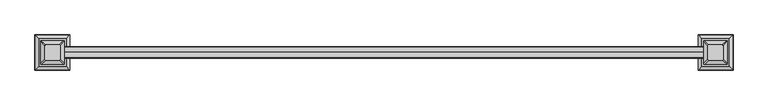
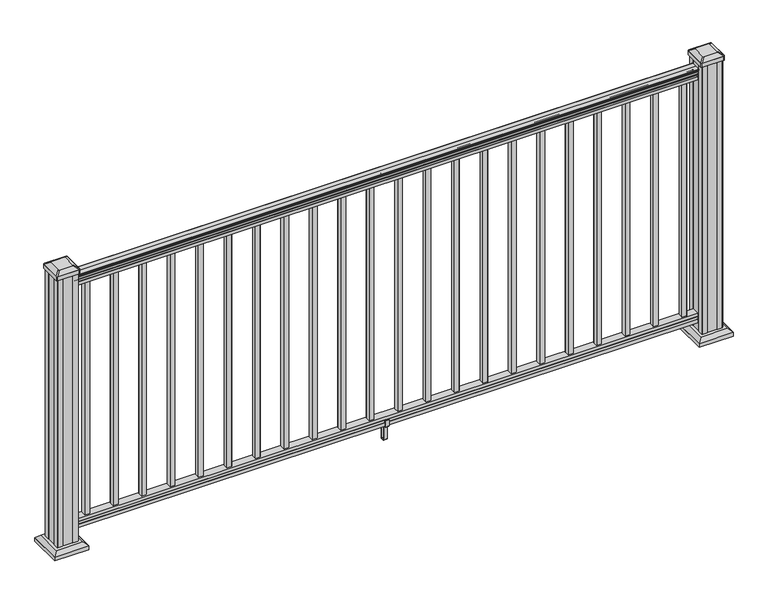
"""IFC4 building model written with IfcOpenShell, lengths in millimetres: railing geometry."""

from ifc_helpers import new_model, si_unit, point, frame, frame_2d, origin, origin_with_axes, place, context, project, spatial, polyline, circle_curve, trimmed, segment, composite_curve, outline, extrude, faceted_brep, source, transform, mapped, element, save
from ifc_brep_helpers import plane_surface, extruded_surface, advanced_brep


def railing_91d370ef(model_context):
    return source(origin(), model_context, "Body", "SolidModel", [
        extrude(outline(composite_curve([segment(trimmed(circle_curve(frame_2d((2738.0690602, 1090.8043297)), 1.2869144), [point((2739.3559745, 1090.8043297))], [point((2736.7821458, 1090.8043297))], False, "CARTESIAN"), True, "CONTINUOUS"), segment(polyline([(2736.7821458, 1090.8043297), (2736.7821458, 1080.147013), (2737.7981458, 1079.131013), (2737.7981458, 1066.8), (2706.0481458, 1066.8), (2706.0481458, 1079.2888283), (2707.0641458, 1080.3048283), (2707.0641458, 1090.8043297)]), True, "CONTINUOUS"), segment(trimmed(circle_curve(frame_2d((2705.7772314, 1090.8043297)), 1.2869144), [point((2707.0641458, 1090.8043297))], [point((2704.4903171, 1090.8043297))], False, "CARTESIAN"), True, "CONTINUOUS"), segment(polyline([(2704.4903171, 1090.8043297), (2704.4903171, 1092.692412)]), True, "CONTINUOUS"), segment(trimmed(circle_curve(frame_2d((2710.8050703, 1098.4506383)), 8.545951), [point((2704.4903171, 1092.692412))], [point((2703.3601308, 1094.2546695))], False, "CARTESIAN"), True, "CONTINUOUS"), segment(trimmed(circle_curve(frame_2d((2710.3680074, 1097.8636577)), 7.882584), [point((2703.3601308, 1094.2546695))], [point((2703.3601308, 1101.4726458))], False, "CARTESIAN"), True, "CONTINUOUS"), segment(trimmed(circle_curve(frame_2d((2699.8546832, 1103.7112527)), 4.1592695), [point((2703.3601308, 1101.4726458))], [point((2704.0093872, 1103.9060812))], True, "CARTESIAN"), True, "CONTINUOUS"), segment(trimmed(circle_curve(frame_2d((2698.5673767, 1103.6508864)), 5.4479907), [point((2704.0093872, 1103.9060812))], [point((2701.5093872, 1108.2362083))], True, "CARTESIAN"), True, "CONTINUOUS"), segment(trimmed(circle_curve(frame_2d((2699.8005351, 1108.233395)), 1.7088543), [point((2701.5093872, 1108.2362083))], [point((2700.1000447, 1109.9157972))], True, "CARTESIAN"), True, "CONTINUOUS"), segment(trimmed(circle_curve(frame_2d((2701.4174352, 1111.0205318)), 1.7192895), [point((2700.1000447, 1109.9157972))], [point((2699.6981457, 1111.0205318))], False, "CARTESIAN"), True, "CONTINUOUS"), segment(polyline([(2699.6981457, 1111.0205318), (2699.6981458, 1112.3608158)]), True, "CONTINUOUS"), segment(trimmed(circle_curve(frame_2d((2701.251593, 1112.3608158)), 1.5534472), [point((2699.6981458, 1112.3608158))], [point((2701.251593, 1113.914263))], False, "CARTESIAN"), True, "CONTINUOUS"), segment(polyline([(2701.251593, 1113.914263), (2721.9231458, 1113.914263), (2742.5946986, 1113.914263)]), True, "CONTINUOUS"), segment(trimmed(circle_curve(frame_2d((2742.5946986, 1112.3608158)), 1.5534472), [point((2742.5946986, 1113.914263))], [point((2744.1481458, 1112.3608158))], False, "CARTESIAN"), True, "CONTINUOUS"), segment(polyline([(2744.1481458, 1112.3608158), (2744.1481458, 1111.0205318)]), True, "CONTINUOUS"), segment(trimmed(circle_curve(frame_2d((2742.4288564, 1111.0205318)), 1.7192895), [point((2744.1481458, 1111.0205318))], [point((2743.7462469, 1109.9157972))], False, "CARTESIAN"), True, "CONTINUOUS"), segment(trimmed(circle_curve(frame_2d((2744.0457565, 1108.233395)), 1.7088543), [point((2743.7462469, 1109.9157972))], [point((2742.3369044, 1108.2362083))], True, "CARTESIAN"), True, "CONTINUOUS"), segment(trimmed(circle_curve(frame_2d((2745.2789149, 1103.6508864)), 5.4479907), [point((2742.3369044, 1108.2362083))], [point((2739.8369044, 1103.9060812))], True, "CARTESIAN"), True, "CONTINUOUS"), segment(trimmed(circle_curve(frame_2d((2743.9916083, 1103.7112527)), 4.1592695), [point((2739.8369044, 1103.9060812))], [point((2740.4861608, 1101.4726458))], True, "CARTESIAN"), True, "CONTINUOUS"), segment(trimmed(circle_curve(frame_2d((2733.4782842, 1097.8636577)), 7.882584), [point((2740.4861608, 1101.4726458))], [point((2740.4861608, 1094.2546695))], False, "CARTESIAN"), True, "CONTINUOUS"), segment(trimmed(circle_curve(frame_2d((2733.0412213, 1098.4506383)), 8.545951), [point((2740.4861608, 1094.2546695))], [point((2739.3559745, 1092.692412))], False, "CARTESIAN"), True, "CONTINUOUS"), segment(polyline([(2739.3559745, 1092.692412), (2739.3559745, 1090.8043297)]), True, "CONTINUOUS")], self_intersect=False)), frame((16614.8111611, 0.0, 0.0), z_axis=(1.0, 0.0, 0.0), x_axis=(0.0, 1.0, 0.0)), (0.0, 0.0, 1.0), 2438.4),
        extrude(outline(polyline([(2737.8356327, 76.0541976), (2737.8356327, 63.5), (2706.0856327, 63.5), (2706.0856327, 76.0375508), (2707.1016327, 77.3858283), (2707.1016327, 87.6975248), (2706.0856327, 89.0458024), (2706.0856327, 101.5958781), (2737.8356327, 101.5958781), (2737.8356327, 89.0624492), (2736.8196327, 87.7141717), (2736.8196327, 77.3546183), (2737.8356327, 76.0541976)])), frame((16614.8111611, 0.0, 0.0), z_axis=(1.0, 0.0, 0.0), x_axis=(0.0, 1.0, 0.0)), (0.0, 0.0, 1.0), 2438.4),
        extrude(outline(polyline([(18993.9021611, 2731.4481458), (19012.9521611, 2731.4481458), (19012.9521611, 2712.3981458), (18993.9021611, 2712.3981458), (18993.9021611, 2731.4481458)]), holes=[polyline([(18994.2990361, 2731.0512708), (18994.2990361, 2712.7950208), (19012.5552861, 2712.7950208), (19012.5552861, 2731.0512708), (18994.2990361, 2731.0512708)])]), frame((0.0, 0.0, 101.5958781), z_axis=(0.0, 0.0, 1.0), x_axis=(1.0, 0.0, 0.0)), (0.0, 0.0, 1.0), 965.2041219),
        extrude(outline(polyline([(18882.6501611, 2731.4481458), (18901.7001611, 2731.4481458), (18901.7001611, 2712.3981458), (18882.6501611, 2712.3981458), (18882.6501611, 2731.4481458)]), holes=[polyline([(18883.0470361, 2731.0512708), (18883.0470361, 2712.7950208), (18901.3032861, 2712.7950208), (18901.3032861, 2731.0512708), (18883.0470361, 2731.0512708)])]), frame((0.0, 0.0, 101.5958781), z_axis=(0.0, 0.0, 1.0), x_axis=(1.0, 0.0, 0.0)), (0.0, 0.0, 1.0), 965.2041219),
        extrude(outline(polyline([(18771.3981611, 2731.4481458), (18790.4481611, 2731.4481458), (18790.4481611, 2712.3981458), (18771.3981611, 2712.3981458), (18771.3981611, 2731.4481458)]), holes=[polyline([(18771.7950361, 2731.0512708), (18771.7950361, 2712.7950208), (18790.0512861, 2712.7950208), (18790.0512861, 2731.0512708), (18771.7950361, 2731.0512708)])]), frame((0.0, 0.0, 101.5958781), z_axis=(0.0, 0.0, 1.0), x_axis=(1.0, 0.0, 0.0)), (0.0, 0.0, 1.0), 965.2041219),
        extrude(outline(polyline([(18660.1461611, 2731.4481458), (18679.1961611, 2731.4481458), (18679.1961611, 2712.3981458), (18660.1461611, 2712.3981458), (18660.1461611, 2731.4481458)]), holes=[polyline([(18660.5430361, 2731.0512708), (18660.5430361, 2712.7950208), (18678.7992861, 2712.7950208), (18678.7992861, 2731.0512708), (18660.5430361, 2731.0512708)])]), frame((0.0, 0.0, 101.5958781), z_axis=(0.0, 0.0, 1.0), x_axis=(1.0, 0.0, 0.0)), (0.0, 0.0, 1.0), 965.2041219),
        extrude(outline(polyline([(18548.8941611, 2731.4481458), (18567.9441611, 2731.4481458), (18567.9441611, 2712.3981458), (18548.8941611, 2712.3981458), (18548.8941611, 2731.4481458)]), holes=[polyline([(18549.2910361, 2731.0512708), (18549.2910361, 2712.7950208), (18567.5472861, 2712.7950208), (18567.5472861, 2731.0512708), (18549.2910361, 2731.0512708)])]), frame((0.0, 0.0, 101.5958781), z_axis=(0.0, 0.0, 1.0), x_axis=(1.0, 0.0, 0.0)), (0.0, 0.0, 1.0), 965.2041219),
        extrude(outline(polyline([(18437.6421611, 2731.4481458), (18456.6921611, 2731.4481458), (18456.6921611, 2712.3981458), (18437.6421611, 2712.3981458), (18437.6421611, 2731.4481458)]), holes=[polyline([(18438.0390361, 2731.0512708), (18438.0390361, 2712.7950208), (18456.2952861, 2712.7950208), (18456.2952861, 2731.0512708), (18438.0390361, 2731.0512708)])]), frame((0.0, 0.0, 101.5958781), z_axis=(0.0, 0.0, 1.0), x_axis=(1.0, 0.0, 0.0)), (0.0, 0.0, 1.0), 965.2041219),
        extrude(outline(polyline([(18326.3901611, 2731.4481458), (18345.4401611, 2731.4481458), (18345.4401611, 2712.3981458), (18326.3901611, 2712.3981458), (18326.3901611, 2731.4481458)]), holes=[polyline([(18326.7870361, 2731.0512708), (18326.7870361, 2712.7950208), (18345.0432861, 2712.7950208), (18345.0432861, 2731.0512708), (18326.7870361, 2731.0512708)])]), frame((0.0, 0.0, 101.5958781), z_axis=(0.0, 0.0, 1.0), x_axis=(1.0, 0.0, 0.0)), (0.0, 0.0, 1.0), 965.2041219),
        extrude(outline(polyline([(18215.1381611, 2731.4481458), (18234.1881611, 2731.4481458), (18234.1881611, 2712.3981458), (18215.1381611, 2712.3981458), (18215.1381611, 2731.4481458)]), holes=[polyline([(18215.5350361, 2731.0512708), (18215.5350361, 2712.7950208), (18233.7912861, 2712.7950208), (18233.7912861, 2731.0512708), (18215.5350361, 2731.0512708)])]), frame((0.0, 0.0, 101.5958781), z_axis=(0.0, 0.0, 1.0), x_axis=(1.0, 0.0, 0.0)), (0.0, 0.0, 1.0), 965.2041219),
        extrude(outline(polyline([(18103.8861611, 2731.4481458), (18122.9361611, 2731.4481458), (18122.9361611, 2712.3981458), (18103.8861611, 2712.3981458), (18103.8861611, 2731.4481458)]), holes=[polyline([(18104.2830361, 2731.0512708), (18104.2830361, 2712.7950208), (18122.5392861, 2712.7950208), (18122.5392861, 2731.0512708), (18104.2830361, 2731.0512708)])]), frame((0.0, 0.0, 101.5958781), z_axis=(0.0, 0.0, 1.0), x_axis=(1.0, 0.0, 0.0)), (0.0, 0.0, 1.0), 965.2041219),
        extrude(outline(polyline([(17992.6341611, 2731.4481458), (18011.6841611, 2731.4481458), (18011.6841611, 2712.3981458), (17992.6341611, 2712.3981458), (17992.6341611, 2731.4481458)]), holes=[polyline([(17993.0310361, 2731.0512708), (17993.0310361, 2712.7950208), (18011.2872861, 2712.7950208), (18011.2872861, 2731.0512708), (17993.0310361, 2731.0512708)])]), frame((0.0, 0.0, 101.5958781), z_axis=(0.0, 0.0, 1.0), x_axis=(1.0, 0.0, 0.0)), (0.0, 0.0, 1.0), 965.2041219),
        extrude(outline(polyline([(17881.3821611, 2731.4481458), (17900.4321611, 2731.4481458), (17900.4321611, 2712.3981458), (17881.3821611, 2712.3981458), (17881.3821611, 2731.4481458)]), holes=[polyline([(17881.7790361, 2731.0512708), (17881.7790361, 2712.7950208), (17900.0352861, 2712.7950208), (17900.0352861, 2731.0512708), (17881.7790361, 2731.0512708)])]), frame((0.0, 0.0, 101.5958781), z_axis=(0.0, 0.0, 1.0), x_axis=(1.0, 0.0, 0.0)), (0.0, 0.0, 1.0), 965.2041219),
        extrude(outline(polyline([(2703.762147, 88.7203979), (2705.7941466, 88.7203979), (2706.8101464, 87.7043953), (2706.8101464, 77.2686081), (2705.7941466, 76.2526073), (2705.7941466, 64.262001), (2706.5561457, 63.5000019), (2737.2901469, 63.5000019), (2738.052146, 64.262001), (2738.052146, 76.2526073), (2737.0361462, 77.2686081), (2737.0361462, 87.7043953), (2738.052146, 88.7203979), (2740.0841456, 88.7203979), (2740.8461466, 87.9583969), (2740.8461466, 61.4680023), (2740.0841456, 60.7060013), (2730.0511465, 60.7060013), (2729.2891464, 59.9440012), (2729.2891464, 0.762001), (2728.5271454, 0.0), (2715.3191462, 0.0), (2714.5571461, 0.7620001), (2714.5571461, 59.9440012), (2713.795146, 60.7060013), (2703.762147, 60.7060013), (2703.0001459, 61.4680023), (2703.0001459, 87.9583969), (2703.762147, 88.7203979)]), holes=[polyline([(2725.3521462, 60.7060013), (2718.4941464, 60.7060013), (2717.7321463, 59.9440012), (2717.7321463, 3.9370003), (2718.4941435, 3.1750031), (2725.3521462, 3.1750031), (2726.1141463, 3.9370031), (2726.1141463, 59.9440012), (2725.3521462, 60.7060013)])]), frame((17827.9151611, 0.0, 0.0), z_axis=(1.0, 0.0, 0.0), x_axis=(0.0, 1.0, 0.0)), (0.0, 0.0, 1.0), 14.732),
        extrude(outline(polyline([(17770.1301611, 2731.4481458), (17789.1801611, 2731.4481458), (17789.1801611, 2712.3981458), (17770.1301611, 2712.3981458), (17770.1301611, 2731.4481458)]), holes=[polyline([(17770.5270361, 2731.0512708), (17770.5270361, 2712.7950208), (17788.7832861, 2712.7950208), (17788.7832861, 2731.0512708), (17770.5270361, 2731.0512708)])]), frame((0.0, 0.0, 101.5958781), z_axis=(0.0, 0.0, 1.0), x_axis=(1.0, 0.0, 0.0)), (0.0, 0.0, 1.0), 965.2041219),
        extrude(outline(polyline([(17658.8781611, 2731.4481458), (17677.9281611, 2731.4481458), (17677.9281611, 2712.3981458), (17658.8781611, 2712.3981458), (17658.8781611, 2731.4481458)]), holes=[polyline([(17659.2750361, 2731.0512708), (17659.2750361, 2712.7950208), (17677.5312861, 2712.7950208), (17677.5312861, 2731.0512708), (17659.2750361, 2731.0512708)])]), frame((0.0, 0.0, 101.5958781), z_axis=(0.0, 0.0, 1.0), x_axis=(1.0, 0.0, 0.0)), (0.0, 0.0, 1.0), 965.2041219),
        extrude(outline(polyline([(17547.6261611, 2731.4481458), (17566.6761611, 2731.4481458), (17566.6761611, 2712.3981458), (17547.6261611, 2712.3981458), (17547.6261611, 2731.4481458)]), holes=[polyline([(17548.0230361, 2731.0512708), (17548.0230361, 2712.7950208), (17566.2792861, 2712.7950208), (17566.2792861, 2731.0512708), (17548.0230361, 2731.0512708)])]), frame((0.0, 0.0, 101.5958781), z_axis=(0.0, 0.0, 1.0), x_axis=(1.0, 0.0, 0.0)), (0.0, 0.0, 1.0), 965.2041219),
        extrude(outline(polyline([(17436.3741611, 2731.4481458), (17455.4241611, 2731.4481458), (17455.4241611, 2712.3981458), (17436.3741611, 2712.3981458), (17436.3741611, 2731.4481458)]), holes=[polyline([(17436.7710361, 2731.0512708), (17436.7710361, 2712.7950208), (17455.0272861, 2712.7950208), (17455.0272861, 2731.0512708), (17436.7710361, 2731.0512708)])]), frame((0.0, 0.0, 101.5958781), z_axis=(0.0, 0.0, 1.0), x_axis=(1.0, 0.0, 0.0)), (0.0, 0.0, 1.0), 965.2041219),
        extrude(outline(polyline([(17325.1221611, 2731.4481458), (17344.1721611, 2731.4481458), (17344.1721611, 2712.3981458), (17325.1221611, 2712.3981458), (17325.1221611, 2731.4481458)]), holes=[polyline([(17325.5190361, 2731.0512708), (17325.5190361, 2712.7950208), (17343.7752861, 2712.7950208), (17343.7752861, 2731.0512708), (17325.5190361, 2731.0512708)])]), frame((0.0, 0.0, 101.5958781), z_axis=(0.0, 0.0, 1.0), x_axis=(1.0, 0.0, 0.0)), (0.0, 0.0, 1.0), 965.2041219),
        extrude(outline(polyline([(17213.8701611, 2731.4481458), (17232.9201611, 2731.4481458), (17232.9201611, 2712.3981458), (17213.8701611, 2712.3981458), (17213.8701611, 2731.4481458)]), holes=[polyline([(17214.2670361, 2731.0512708), (17214.2670361, 2712.7950208), (17232.5232861, 2712.7950208), (17232.5232861, 2731.0512708), (17214.2670361, 2731.0512708)])]), frame((0.0, 0.0, 101.5958781), z_axis=(0.0, 0.0, 1.0), x_axis=(1.0, 0.0, 0.0)), (0.0, 0.0, 1.0), 965.2041219),
        extrude(outline(polyline([(17102.6181611, 2731.4481458), (17121.6681611, 2731.4481458), (17121.6681611, 2712.3981458), (17102.6181611, 2712.3981458), (17102.6181611, 2731.4481458)]), holes=[polyline([(17103.0150361, 2731.0512708), (17103.0150361, 2712.7950208), (17121.2712861, 2712.7950208), (17121.2712861, 2731.0512708), (17103.0150361, 2731.0512708)])]), frame((0.0, 0.0, 101.5958781), z_axis=(0.0, 0.0, 1.0), x_axis=(1.0, 0.0, 0.0)), (0.0, 0.0, 1.0), 965.2041219),
        extrude(outline(polyline([(16991.3661611, 2731.4481458), (17010.4161611, 2731.4481458), (17010.4161611, 2712.3981458), (16991.3661611, 2712.3981458), (16991.3661611, 2731.4481458)]), holes=[polyline([(16991.7630361, 2731.0512708), (16991.7630361, 2712.7950208), (17010.0192861, 2712.7950208), (17010.0192861, 2731.0512708), (16991.7630361, 2731.0512708)])]), frame((0.0, 0.0, 101.5958781), z_axis=(0.0, 0.0, 1.0), x_axis=(1.0, 0.0, 0.0)), (0.0, 0.0, 1.0), 965.2041219),
        extrude(outline(polyline([(16880.1141611, 2731.4481458), (16899.1641611, 2731.4481458), (16899.1641611, 2712.3981458), (16880.1141611, 2712.3981458), (16880.1141611, 2731.4481458)]), holes=[polyline([(16880.5110361, 2731.0512708), (16880.5110361, 2712.7950208), (16898.7672861, 2712.7950208), (16898.7672861, 2731.0512708), (16880.5110361, 2731.0512708)])]), frame((0.0, 0.0, 101.5958781), z_axis=(0.0, 0.0, 1.0), x_axis=(1.0, 0.0, 0.0)), (0.0, 0.0, 1.0), 965.2041219),
        extrude(outline(polyline([(16768.8621611, 2731.4481458), (16787.9121611, 2731.4481458), (16787.9121611, 2712.3981458), (16768.8621611, 2712.3981458), (16768.8621611, 2731.4481458)]), holes=[polyline([(16769.2590361, 2731.0512708), (16769.2590361, 2712.7950208), (16787.5152861, 2712.7950208), (16787.5152861, 2731.0512708), (16769.2590361, 2731.0512708)])]), frame((0.0, 0.0, 101.5958781), z_axis=(0.0, 0.0, 1.0), x_axis=(1.0, 0.0, 0.0)), (0.0, 0.0, 1.0), 965.2041219),
        extrude(outline(polyline([(16657.6101611, 2731.4481458), (16676.6601611, 2731.4481458), (16676.6601611, 2712.3981458), (16657.6101611, 2712.3981458), (16657.6101611, 2731.4481458)]), holes=[polyline([(16658.0070361, 2731.0512708), (16658.0070361, 2712.7950208), (16676.2632861, 2712.7950208), (16676.2632861, 2731.0512708), (16658.0070361, 2731.0512708)])]), frame((0.0, 0.0, 101.5958781), z_axis=(0.0, 0.0, 1.0), x_axis=(1.0, 0.0, 0.0)), (0.0, 0.0, 1.0), 965.2041219),
        faceted_brep([(19042.0272236, 2774.5090833, 28.575), (19042.0272236, 2669.3372083, 28.575), (19147.1990986, 2669.3372083, 28.575), (19147.1990986, 2774.5090833, 28.575), (19027.9877704, 2788.5485364, 15.24), (19161.2385517, 2788.5485364, 15.24), (19161.2385517, 2655.2977552, 15.24), (19027.9877704, 2655.2977552, 15.24)], [[[0, 1, 2, 3]], [[4, 5, 6, 7]], [[4, 7, 1, 0]], [[7, 6, 2, 1]], [[6, 5, 3, 2]], [[5, 4, 0, 3]]]),
        extrude(outline(polyline([(19027.9877704, 2788.5485364), (19161.2385517, 2788.5485364), (19161.2385517, 2655.2977552), (19027.9877704, 2655.2977552), (19027.9877704, 2788.5485364)])), origin_with_axes(), (0.0, 0.0, 1.0), 15.24),
        advanced_brep(
        [(19065.6412861, 2696.1262708, 1165.225), (19068.8162861, 2692.9512708, 1165.225), (19120.4100361, 2692.9512708, 1165.225), (19123.5850361, 2696.1262708, 1165.225), (19123.5850361, 2747.7200208, 1165.225), (19120.4100361, 2750.8950208, 1165.225), (19068.8162861, 2750.8950208, 1165.225), (19065.6412861, 2747.7200208, 1165.225), (19049.3694111, 2679.8543958, 1153.922), (19049.3694111, 2763.9918958, 1153.922), (19052.5444111, 2767.1668958, 1153.922), (19136.6819111, 2767.1668958, 1153.922), (19139.8569111, 2763.9918958, 1153.922), (19139.8569111, 2679.8543958, 1153.922), (19136.6819111, 2676.6793958, 1153.922), (19052.5444111, 2676.6793958, 1153.922)],
        [
            (0, 1, circle_curve(frame((19068.8162861, 2696.1262708, 1165.225), z_axis=(0.0, 0.0, 1.0), x_axis=(1.0, 0.0, 0.0)), 3.175)),
            (1, 2),
            (2, 3, circle_curve(frame((19120.4100361, 2696.1262708, 1165.225), z_axis=(0.0, 0.0, 1.0), x_axis=(1.0, 0.0, 0.0)), 3.175)),
            (3, 4),
            (4, 5, circle_curve(frame((19120.4100361, 2747.7200208, 1165.225), z_axis=(0.0, 0.0, 1.0), x_axis=(1.0, 0.0, 0.0)), 3.175)),
            (5, 6),
            (6, 7, circle_curve(frame((19068.8162861, 2747.7200208, 1165.225), z_axis=(0.0, 0.0, 1.0), x_axis=(1.0, 0.0, 0.0)), 3.175)),
            (7, 0),
            (8, 9),
            (9, 10, circle_curve(frame((19052.5444111, 2763.9918958, 1153.922), z_axis=(0.0, 0.0, -1.0), x_axis=(1.0, 0.0, 0.0)), 3.175)),
            (10, 11),
            (11, 12, circle_curve(frame((19136.6819111, 2763.9918958, 1153.922), z_axis=(0.0, 0.0, -1.0), x_axis=(1.0, 0.0, 0.0)), 3.175)),
            (12, 13),
            (13, 14, circle_curve(frame((19136.6819111, 2679.8543958, 1153.922), z_axis=(0.0, 0.0, -1.0), x_axis=(1.0, 0.0, 0.0)), 3.175)),
            (14, 15),
            (15, 8, circle_curve(frame((19052.5444111, 2679.8543958, 1153.922), z_axis=(0.0, 0.0, -1.0), x_axis=(1.0, 0.0, 0.0)), 3.175)),
            (15, 1),
            (0, 8),
            (14, 2),
            (13, 3),
            (12, 4),
            (11, 5),
            (10, 6),
            (9, 7),
        ],
        [
            plane_surface(frame((19094.6131611, 2721.9231458, 1165.225), z_axis=(0.0, 0.0, 1.0), x_axis=(0.0, -1.0, 0.0))),
            plane_surface(frame((19094.6131611, 2721.9231458, 1153.922), z_axis=(0.0, 0.0, -1.0), x_axis=(0.0, -1.0, 0.0))),
            extruded_surface(trimmed(circle_curve(frame((19052.5444111, 2679.8543958, 1153.922), z_axis=(0.0, 0.0, 1.0), x_axis=(1.0, 0.0, 0.0)), 3.175), [point((19049.3694111, 2679.8543958, 1153.922))], [point((19052.5444111, 2676.6793958, 1153.922))], True, "CARTESIAN"), (16.271874999998545, 16.27187499999991, 11.302999999999884), 25.63797263886513),
            plane_surface(frame((19094.6131611, 2676.6793958, 1153.922), z_axis=(0.0, -0.5705009161540777, 0.8212969649690409), x_axis=(1.0, 0.0, 0.0))),
            extruded_surface(trimmed(circle_curve(frame((19136.6819111, 2679.8543958, 1153.922), z_axis=(0.0, 0.0, 1.0), x_axis=(1.0, 0.0, 0.0)), 3.175), [point((19136.6819111, 2676.6793958, 1153.922))], [point((19139.8569111, 2679.8543958, 1153.922))], True, "CARTESIAN"), (-16.271875000002183, 16.27187499999991, 11.302999999999884), 25.63797263886744),
            plane_surface(frame((19139.8569111, 2721.9231458, 1153.922), z_axis=(0.5705009161540291, 0.0, 0.8212969649690747), x_axis=(0.0, 1.0, 0.0))),
            extruded_surface(trimmed(circle_curve(frame((19136.6819111, 2763.9918958, 1153.922), z_axis=(0.0, 0.0, 1.0), x_axis=(1.0, 0.0, 0.0)), 3.175), [point((19139.8569111, 2763.9918958, 1153.922))], [point((19136.6819111, 2767.1668958, 1153.922))], True, "CARTESIAN"), (-16.271875000002183, -16.27187499999991, 11.302999999999884), 25.63797263886744),
            plane_surface(frame((19094.6131611, 2767.1668958, 1153.922), z_axis=(0.0, 0.5705009161540143, 0.821296964969085), x_axis=(-1.0, 0.0, 0.0))),
            extruded_surface(trimmed(circle_curve(frame((19052.5444111, 2763.9918958, 1153.922), z_axis=(0.0, 0.0, 1.0), x_axis=(1.0, 0.0, 0.0)), 3.175), [point((19052.5444111, 2767.1668958, 1153.922))], [point((19049.3694111, 2763.9918958, 1153.922))], True, "CARTESIAN"), (16.271874999998545, -16.27187499999991, 11.302999999999884), 25.63797263886513),
            plane_surface(frame((19049.3694111, 2721.9231458, 1153.922), z_axis=(-0.570500916154034, 0.0, 0.8212969649690713), x_axis=(0.0, -1.0, 0.0))),
        ],
        [
            (0, [[1, 2, 3, 4, 5, 6, 7, 8]]),
            (1, [[9, 10, 11, 12, 13, 14, 15, 16]]),
            (2, [[-16, 17, -1, 18]]),
            (3, [[-15, 19, -2, -17]]),
            (4, [[-14, 20, -3, -19]]),
            (5, [[-13, 21, -4, -20]]),
            (6, [[-12, 22, -5, -21]]),
            (7, [[-11, 23, -6, -22]]),
            (8, [[-10, 24, -7, -23]]),
            (9, [[-9, -18, -8, -24]]),
        ],
    ),
        extrude(outline(composite_curve([segment(polyline([(19049.3694111, 2679.8543958), (19049.3694111, 2763.9918958)]), True, "CONTINUOUS"), segment(trimmed(circle_curve(frame_2d((19052.5444111, 2763.9918958)), 3.175), [point((19049.3694111, 2763.9918958))], [point((19052.5444111, 2767.1668958))], False, "CARTESIAN"), True, "CONTINUOUS"), segment(polyline([(19052.5444111, 2767.1668958), (19136.6819111, 2767.1668958)]), True, "CONTINUOUS"), segment(trimmed(circle_curve(frame_2d((19136.6819111, 2763.9918958)), 3.175), [point((19136.6819111, 2767.1668958))], [point((19139.8569111, 2763.9918958))], False, "CARTESIAN"), True, "CONTINUOUS"), segment(polyline([(19139.8569111, 2763.9918958), (19139.8569111, 2679.8543958)]), True, "CONTINUOUS"), segment(trimmed(circle_curve(frame_2d((19136.6819111, 2679.8543958)), 3.175), [point((19139.8569111, 2679.8543958))], [point((19136.6819111, 2676.6793958))], False, "CARTESIAN"), True, "CONTINUOUS"), segment(polyline([(19136.6819111, 2676.6793958), (19052.5444111, 2676.6793958)]), True, "CONTINUOUS"), segment(trimmed(circle_curve(frame_2d((19052.5444111, 2679.8543958)), 3.175), [point((19052.5444111, 2676.6793958))], [point((19049.3694111, 2679.8543958))], False, "CARTESIAN"), True, "CONTINUOUS")], self_intersect=False)), frame((0.0, 0.0, 1136.65), z_axis=(0.0, 0.0, 1.0), x_axis=(1.0, 0.0, 0.0)), (0.0, 0.0, 1.0), 17.272),
        extrude(outline(polyline([(19053.3381611, 2682.2356458), (19053.3381611, 2701.8571458), (19054.9256611, 2702.6191458), (19054.9256611, 2741.2271458), (19053.3381611, 2741.9891458), (19053.3381611, 2761.6106458), (19054.9256611, 2763.1981458), (19074.5471611, 2763.1981458), (19075.3091611, 2761.6106458), (19113.9171611, 2761.6106458), (19114.6791611, 2763.1981458), (19134.3006611, 2763.1981458), (19135.8881611, 2761.6106458), (19135.8881611, 2741.9891458), (19134.3006611, 2741.2271458), (19134.3006611, 2702.6191458), (19135.8881611, 2701.8571458), (19135.8881611, 2682.2356458), (19134.3006611, 2680.6481458), (19114.6791611, 2680.6481458), (19113.9171611, 2682.2356458), (19075.3091611, 2682.2356458), (19074.5471611, 2680.6481458), (19054.9256611, 2680.6481458), (19053.3381611, 2682.2356458)])), origin_with_axes(), (0.0, 0.0, 1.0), 1136.65),
        faceted_brep([(16520.8232236, 2774.5090833, 28.575), (16520.8232236, 2669.3372083, 28.575), (16625.9950986, 2669.3372083, 28.575), (16625.9950986, 2774.5090833, 28.575), (16506.7837704, 2788.5485364, 15.24), (16640.0345517, 2788.5485364, 15.24), (16640.0345517, 2655.2977552, 15.24), (16506.7837704, 2655.2977552, 15.24)], [[[0, 1, 2, 3]], [[4, 5, 6, 7]], [[4, 7, 1, 0]], [[7, 6, 2, 1]], [[6, 5, 3, 2]], [[5, 4, 0, 3]]]),
        extrude(outline(polyline([(16506.7837704, 2788.5485364), (16640.0345517, 2788.5485364), (16640.0345517, 2655.2977552), (16506.7837704, 2655.2977552), (16506.7837704, 2788.5485364)])), origin_with_axes(), (0.0, 0.0, 1.0), 15.24),
        advanced_brep(
        [(16544.4372861, 2696.1262708, 1165.225), (16547.6122861, 2692.9512708, 1165.225), (16599.2060361, 2692.9512708, 1165.225), (16602.3810361, 2696.1262708, 1165.225), (16602.3810361, 2747.7200208, 1165.225), (16599.2060361, 2750.8950208, 1165.225), (16547.6122861, 2750.8950208, 1165.225), (16544.4372861, 2747.7200208, 1165.225), (16528.1654111, 2679.8543958, 1153.922), (16528.1654111, 2763.9918958, 1153.922), (16531.3404111, 2767.1668958, 1153.922), (16615.4779111, 2767.1668958, 1153.922), (16618.6529111, 2763.9918958, 1153.922), (16618.6529111, 2679.8543958, 1153.922), (16615.4779111, 2676.6793958, 1153.922), (16531.3404111, 2676.6793958, 1153.922)],
        [
            (0, 1, circle_curve(frame((16547.6122861, 2696.1262708, 1165.225), z_axis=(0.0, 0.0, 1.0), x_axis=(1.0, 0.0, 0.0)), 3.175)),
            (1, 2),
            (2, 3, circle_curve(frame((16599.2060361, 2696.1262708, 1165.225), z_axis=(0.0, 0.0, 1.0), x_axis=(1.0, 0.0, 0.0)), 3.175)),
            (3, 4),
            (4, 5, circle_curve(frame((16599.2060361, 2747.7200208, 1165.225), z_axis=(0.0, 0.0, 1.0), x_axis=(1.0, 0.0, 0.0)), 3.175)),
            (5, 6),
            (6, 7, circle_curve(frame((16547.6122861, 2747.7200208, 1165.225), z_axis=(0.0, 0.0, 1.0), x_axis=(1.0, 0.0, 0.0)), 3.175)),
            (7, 0),
            (8, 9),
            (9, 10, circle_curve(frame((16531.3404111, 2763.9918958, 1153.922), z_axis=(0.0, 0.0, -1.0), x_axis=(1.0, 0.0, 0.0)), 3.175)),
            (10, 11),
            (11, 12, circle_curve(frame((16615.4779111, 2763.9918958, 1153.922), z_axis=(0.0, 0.0, -1.0), x_axis=(1.0, 0.0, 0.0)), 3.175)),
            (12, 13),
            (13, 14, circle_curve(frame((16615.4779111, 2679.8543958, 1153.922), z_axis=(0.0, 0.0, -1.0), x_axis=(1.0, 0.0, 0.0)), 3.175)),
            (14, 15),
            (15, 8, circle_curve(frame((16531.3404111, 2679.8543958, 1153.922), z_axis=(0.0, 0.0, -1.0), x_axis=(1.0, 0.0, 0.0)), 3.175)),
            (15, 1),
            (0, 8),
            (14, 2),
            (13, 3),
            (12, 4),
            (11, 5),
            (10, 6),
            (9, 7),
        ],
        [
            plane_surface(frame((16573.4091611, 2721.9231458, 1165.225), z_axis=(0.0, 0.0, 1.0), x_axis=(0.0, -1.0, 0.0))),
            plane_surface(frame((16573.4091611, 2721.9231458, 1153.922), z_axis=(0.0, 0.0, -1.0), x_axis=(0.0, -1.0, 0.0))),
            extruded_surface(trimmed(circle_curve(frame((16531.3404111, 2679.8543958, 1153.922), z_axis=(0.0, 0.0, 1.0), x_axis=(1.0, 0.0, 0.0)), 3.175), [point((16528.1654111, 2679.8543958, 1153.922))], [point((16531.3404111, 2676.6793958, 1153.922))], True, "CARTESIAN"), (16.271874999998545, 16.27187499999991, 11.302999999999884), 25.63797263886513),
            plane_surface(frame((16573.4091611, 2676.6793958, 1153.922), z_axis=(0.0, -0.5705009161540777, 0.8212969649690409), x_axis=(1.0, 0.0, 0.0))),
            extruded_surface(trimmed(circle_curve(frame((16615.4779111, 2679.8543958, 1153.922), z_axis=(0.0, 0.0, 1.0), x_axis=(1.0, 0.0, 0.0)), 3.175), [point((16615.4779111, 2676.6793958, 1153.922))], [point((16618.6529111, 2679.8543958, 1153.922))], True, "CARTESIAN"), (-16.271874999998545, 16.27187499999991, 11.302999999999884), 25.63797263886513),
            plane_surface(frame((16618.6529111, 2721.9231458, 1153.922), z_axis=(0.5705009161540291, 0.0, 0.8212969649690747), x_axis=(0.0, 1.0, 0.0))),
            extruded_surface(trimmed(circle_curve(frame((16615.4779111, 2763.9918958, 1153.922), z_axis=(0.0, 0.0, 1.0), x_axis=(1.0, 0.0, 0.0)), 3.175), [point((16618.6529111, 2763.9918958, 1153.922))], [point((16615.4779111, 2767.1668958, 1153.922))], True, "CARTESIAN"), (-16.271874999998545, -16.27187499999991, 11.302999999999884), 25.63797263886513),
            plane_surface(frame((16573.4091611, 2767.1668958, 1153.922), z_axis=(0.0, 0.5705009161540143, 0.821296964969085), x_axis=(-1.0, 0.0, 0.0))),
            extruded_surface(trimmed(circle_curve(frame((16531.3404111, 2763.9918958, 1153.922), z_axis=(0.0, 0.0, 1.0), x_axis=(1.0, 0.0, 0.0)), 3.175), [point((16531.3404111, 2767.1668958, 1153.922))], [point((16528.1654111, 2763.9918958, 1153.922))], True, "CARTESIAN"), (16.271874999998545, -16.27187499999991, 11.302999999999884), 25.63797263886513),
            plane_surface(frame((16528.1654111, 2721.9231458, 1153.922), z_axis=(-0.570500916154034, 0.0, 0.8212969649690713), x_axis=(0.0, -1.0, 0.0))),
        ],
        [
            (0, [[1, 2, 3, 4, 5, 6, 7, 8]]),
            (1, [[9, 10, 11, 12, 13, 14, 15, 16]]),
            (2, [[-16, 17, -1, 18]]),
            (3, [[-15, 19, -2, -17]]),
            (4, [[-14, 20, -3, -19]]),
            (5, [[-13, 21, -4, -20]]),
            (6, [[-12, 22, -5, -21]]),
            (7, [[-11, 23, -6, -22]]),
            (8, [[-10, 24, -7, -23]]),
            (9, [[-9, -18, -8, -24]]),
        ],
    ),
        extrude(outline(composite_curve([segment(polyline([(16528.1654111, 2679.8543958), (16528.1654111, 2763.9918958)]), True, "CONTINUOUS"), segment(trimmed(circle_curve(frame_2d((16531.3404111, 2763.9918958)), 3.175), [point((16528.1654111, 2763.9918958))], [point((16531.3404111, 2767.1668958))], False, "CARTESIAN"), True, "CONTINUOUS"), segment(polyline([(16531.3404111, 2767.1668958), (16615.4779111, 2767.1668958)]), True, "CONTINUOUS"), segment(trimmed(circle_curve(frame_2d((16615.4779111, 2763.9918958)), 3.175), [point((16615.4779111, 2767.1668958))], [point((16618.6529111, 2763.9918958))], False, "CARTESIAN"), True, "CONTINUOUS"), segment(polyline([(16618.6529111, 2763.9918958), (16618.6529111, 2679.8543958)]), True, "CONTINUOUS"), segment(trimmed(circle_curve(frame_2d((16615.4779111, 2679.8543958)), 3.175), [point((16618.6529111, 2679.8543958))], [point((16615.4779111, 2676.6793958))], False, "CARTESIAN"), True, "CONTINUOUS"), segment(polyline([(16615.4779111, 2676.6793958), (16531.3404111, 2676.6793958)]), True, "CONTINUOUS"), segment(trimmed(circle_curve(frame_2d((16531.3404111, 2679.8543958)), 3.175), [point((16531.3404111, 2676.6793958))], [point((16528.1654111, 2679.8543958))], False, "CARTESIAN"), True, "CONTINUOUS")], self_intersect=False)), frame((0.0, 0.0, 1136.65), z_axis=(0.0, 0.0, 1.0), x_axis=(1.0, 0.0, 0.0)), (0.0, 0.0, 1.0), 17.272),
        extrude(outline(polyline([(16532.1341611, 2682.2356458), (16532.1341611, 2701.8571458), (16533.7216611, 2702.6191458), (16533.7216611, 2741.2271458), (16532.1341611, 2741.9891458), (16532.1341611, 2761.6106458), (16533.7216611, 2763.1981458), (16553.3431611, 2763.1981458), (16554.1051611, 2761.6106458), (16592.7131611, 2761.6106458), (16593.4751611, 2763.1981458), (16613.0966611, 2763.1981458), (16614.6841611, 2761.6106458), (16614.6841611, 2741.9891458), (16613.0966611, 2741.2271458), (16613.0966611, 2702.6191458), (16614.6841611, 2701.8571458), (16614.6841611, 2682.2356458), (16613.0966611, 2680.6481458), (16593.4751611, 2680.6481458), (16592.7131611, 2682.2356458), (16554.1051611, 2682.2356458), (16553.3431611, 2680.6481458), (16533.7216611, 2680.6481458), (16532.1341611, 2682.2356458)])), origin_with_axes(), (0.0, 0.0, 1.0), 1136.65),
    ])


if __name__ == "__main__":
    model = new_model("IFC4")
    model_context = context("Model", 3, world=origin())
    ifc_project = project(units=[si_unit("LENGTHUNIT", "METRE", prefix="MILLI")], contexts=[model_context])
    site = spatial("IfcSite", under=ifc_project)
    building = spatial("IfcBuilding", under=site)
    placement = place(None, origin())
    railing_shape = railing_91d370ef(model_context)
    element("IfcRailing", 1, at=placement, inside=building, context=model_context, shape_type="MappedRepresentation", body=[
        mapped(railing_shape, transform((0.0, 0.0, 0.0), x_axis=(1.0, 0.0, 0.0), y_axis=(0.0, 1.0, 0.0), z_axis=(0.0, 0.0, 1.0))),
    ])
    save(model, "model.ifc")
